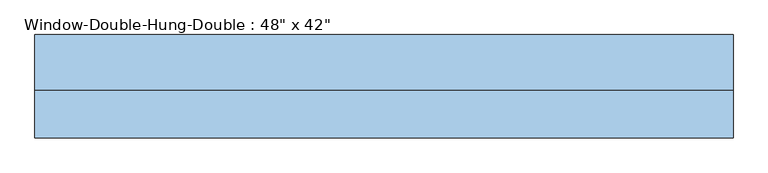
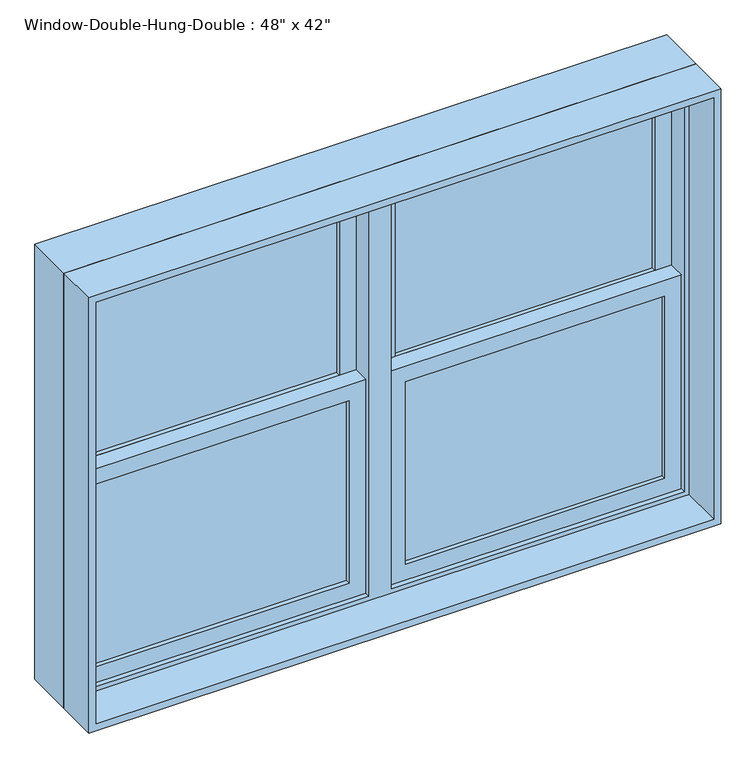
"""IFC4 building model written with IfcOpenShell, lengths in millimetres: window geometry."""

from ifc_helpers import new_model, si_unit, frame, origin, place, context, project, spatial, polyline, outline, extrude, source, transform, mapped, element, save


def window_534672b1(model_context):
    return source(origin(), model_context, "Body", "SweptSolid", [
        extrude(outline(polyline([(2133.6, 838.2), (2133.6, -838.2), (914.4, -838.2), (914.4, 838.2), (2133.6, 838.2)]), holes=[polyline([(946.15, -806.45), (2101.85, -806.45), (2101.85, -30.1625), (946.15, -30.1625), (946.15, -806.45)]), polyline([(946.15, 806.45), (946.15, 30.1625), (2101.85, 30.1625), (2101.85, 806.45), (946.15, 806.45)])]), frame((0.0, 0.0, 0.0), z_axis=(0.0, 1.0, 0.0), x_axis=(0.0, 0.0, 1.0)), (0.0, 0.0, 1.0), 133.35),
        extrude(outline(polyline([(-762.0, 44.45), (-74.6125, 44.45), (-74.6125, 38.1), (-762.0, 38.1), (-762.0, 44.45)])), frame((0.0, 0.0, 990.6), z_axis=(0.0, 0.0, 1.0), x_axis=(1.0, 0.0, 0.0)), (0.0, 0.0, 1.0), 511.175),
        extrude(outline(polyline([(-74.6125, 31.75), (-74.6125, 25.4), (-762.0, 25.4), (-762.0, 31.75), (-74.6125, 31.75)])), frame((0.0, 0.0, 990.6), z_axis=(0.0, 0.0, 1.0), x_axis=(1.0, 0.0, 0.0)), (0.0, 0.0, 1.0), 511.175),
        extrude(outline(polyline([(-762.0, 88.9), (-74.6125, 88.9), (-74.6125, 82.55), (-762.0, 82.55), (-762.0, 88.9)])), frame((0.0, 0.0, 1546.225), z_axis=(0.0, 0.0, 1.0), x_axis=(1.0, 0.0, 0.0)), (0.0, 0.0, 1.0), 511.175),
        extrude(outline(polyline([(-74.6125, 76.2), (-74.6125, 69.85), (-762.0, 69.85), (-762.0, 76.2), (-74.6125, 76.2)])), frame((0.0, 0.0, 1546.225), z_axis=(0.0, 0.0, 1.0), x_axis=(1.0, 0.0, 0.0)), (0.0, 0.0, 1.0), 511.175),
        extrude(outline(polyline([(1546.225, -806.45), (946.15, -806.45), (946.15, -30.1625), (1546.225, -30.1625), (1546.225, -806.45)]), holes=[polyline([(1501.775, -74.6125), (990.6, -74.6125), (990.6, -762.0), (1501.775, -762.0), (1501.775, -74.6125)])]), frame((0.0, 12.7, 0.0), z_axis=(0.0, 1.0, 0.0), x_axis=(0.0, 0.0, 1.0)), (0.0, 0.0, 1.0), 44.45),
        extrude(outline(polyline([(2101.85, -806.45), (1501.775, -806.45), (1501.775, -30.1625), (2101.85, -30.1625), (2101.85, -806.45)]), holes=[polyline([(2057.4, -74.6125), (1546.225, -74.6125), (1546.225, -762.0), (2057.4, -762.0), (2057.4, -74.6125)])]), frame((0.0, 57.15, 0.0), z_axis=(0.0, 1.0, 0.0), x_axis=(0.0, 0.0, 1.0)), (0.0, 0.0, 1.0), 44.45),
        extrude(outline(polyline([(762.0, 44.45), (762.0, 38.1), (74.6125, 38.1), (74.6125, 44.45), (762.0, 44.45)])), frame((0.0, 0.0, 990.6), z_axis=(0.0, 0.0, 1.0), x_axis=(1.0, 0.0, 0.0)), (0.0, 0.0, 1.0), 511.175),
        extrude(outline(polyline([(74.6125, 31.75), (762.0, 31.75), (762.0, 25.4), (74.6125, 25.4), (74.6125, 31.75)])), frame((0.0, 0.0, 990.6), z_axis=(0.0, 0.0, 1.0), x_axis=(1.0, 0.0, 0.0)), (0.0, 0.0, 1.0), 511.175),
        extrude(outline(polyline([(762.0, 88.9), (762.0, 82.55), (74.6125, 82.55), (74.6125, 88.9), (762.0, 88.9)])), frame((0.0, 0.0, 1546.225), z_axis=(0.0, 0.0, 1.0), x_axis=(1.0, 0.0, 0.0)), (0.0, 0.0, 1.0), 511.175),
        extrude(outline(polyline([(74.6125, 76.2), (762.0, 76.2), (762.0, 69.85), (74.6125, 69.85), (74.6125, 76.2)])), frame((0.0, 0.0, 1546.225), z_axis=(0.0, 0.0, 1.0), x_axis=(1.0, 0.0, 0.0)), (0.0, 0.0, 1.0), 511.175),
        extrude(outline(polyline([(1546.225, 30.1625), (946.15, 30.1625), (946.15, 806.45), (1546.225, 806.45), (1546.225, 30.1625)]), holes=[polyline([(1501.775, 762.0), (990.6, 762.0), (990.6, 74.6125), (1501.775, 74.6125), (1501.775, 762.0)])]), frame((0.0, 12.7, 0.0), z_axis=(0.0, 1.0, 0.0), x_axis=(0.0, 0.0, 1.0)), (0.0, 0.0, 1.0), 44.45),
        extrude(outline(polyline([(2101.85, 30.1625), (1501.775, 30.1625), (1501.775, 806.45), (2101.85, 806.45), (2101.85, 30.1625)]), holes=[polyline([(2057.4, 762.0), (1546.225, 762.0), (1546.225, 74.6125), (2057.4, 74.6125), (2057.4, 762.0)])]), frame((0.0, 57.15, 0.0), z_axis=(0.0, 1.0, 0.0), x_axis=(0.0, 0.0, 1.0)), (0.0, 0.0, 1.0), 44.45),
        extrude(outline(polyline([(2133.6, 838.2), (2133.6, -838.2), (914.4, -838.2), (914.4, 838.2), (2133.6, 838.2)]), holes=[polyline([(2114.55, 819.15), (933.45, 819.15), (933.45, -819.15), (2114.55, -819.15), (2114.55, 819.15)])]), frame((0.0, -114.3, 0.0), z_axis=(0.0, 1.0, 0.0), x_axis=(0.0, 0.0, 1.0)), (0.0, 0.0, 1.0), 114.3),
    ])


if __name__ == "__main__":
    model = new_model("IFC4")
    model_context = context("Model", 3, world=origin())
    ifc_project = project(units=[si_unit("LENGTHUNIT", "METRE", prefix="MILLI")], contexts=[model_context])
    site = spatial("IfcSite", under=ifc_project)
    building = spatial("IfcBuilding", under=site)
    placement = place(None, origin())
    window_shape = window_534672b1(model_context)
    element("IfcWindow", 1, ObjectType="Window-Double-Hung-Double : 48\" x 42\"", at=placement, inside=building, context=model_context, shape_type="MappedRepresentation", body=[
        mapped(window_shape, transform((0.0, 0.0, 0.0), x_axis=(1.0, 0.0, 0.0), y_axis=(0.0, 1.0, 0.0), z_axis=(0.0, 0.0, 1.0))),
    ])
    save(model, "model.ifc")
